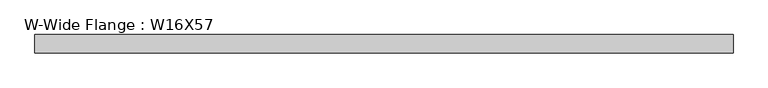
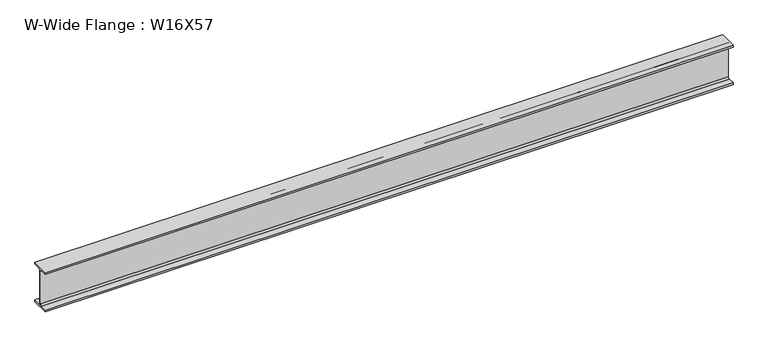
"""IFC4 building model written with IfcOpenShell, lengths in millimetres: beam geometry, W-Wide Flange : W16X57."""

from ifc_helpers import new_model, si_unit, point, frame, frame_2d, origin, place, context, project, spatial, polyline, circle_curve, trimmed, segment, composite_curve, outline, extrude, source, transform, mapped, element, save


def w_wide_flange_w16x57_ee7f8820(model_context):
    return source(origin(), model_context, "Body", "SweptSolid", [
        extrude(outline(composite_curve([segment(polyline([(90.4, -190.1), (90.4, -208.3), (-90.4, -208.3), (-90.4, -190.1), (-22.15, -190.1)]), True, "CONTINUOUS"), segment(trimmed(circle_curve(frame_2d((-22.15, -173.4)), 16.7), [point((-22.15, -190.1))], [point((-5.45, -173.4))], True, "CARTESIAN"), True, "CONTINUOUS"), segment(polyline([(-5.45, -173.4), (-5.45, 173.4)]), True, "CONTINUOUS"), segment(trimmed(circle_curve(frame_2d((-22.15, 173.4)), 16.7), [point((-5.45, 173.4))], [point((-22.15, 190.1))], True, "CARTESIAN"), True, "CONTINUOUS"), segment(polyline([(-22.15, 190.1), (-90.4, 190.1), (-90.4, 208.3), (90.4, 208.3), (90.4, 190.1), (22.15, 190.1)]), True, "CONTINUOUS"), segment(trimmed(circle_curve(frame_2d((22.15, 173.4)), 16.7), [point((22.15, 190.1))], [point((5.45, 173.4))], True, "CARTESIAN"), True, "CONTINUOUS"), segment(polyline([(5.45, 173.4), (5.45, -173.4)]), True, "CONTINUOUS"), segment(trimmed(circle_curve(frame_2d((22.15, -173.4)), 16.7), [point((5.45, -173.4))], [point((22.15, -190.1))], True, "CARTESIAN"), True, "CONTINUOUS"), segment(polyline([(22.15, -190.1), (90.4, -190.1)]), True, "CONTINUOUS")], self_intersect=False)), frame((-1563.2333755, 0.0, 0.0), z_axis=(1.0, 0.0, 0.0), x_axis=(0.0, 1.0, 0.0)), (0.0, 0.0, 1.0), 6875.9981002),
    ])


if __name__ == "__main__":
    model = new_model("IFC4")
    model_context = context("Model", 3, world=origin())
    ifc_project = project(units=[si_unit("LENGTHUNIT", "METRE", prefix="MILLI")], contexts=[model_context])
    site = spatial("IfcSite", under=ifc_project)
    building = spatial("IfcBuilding", under=site)
    placement = place(None, origin())
    w_wide_flange_w16x57_shape = w_wide_flange_w16x57_ee7f8820(model_context)
    element("IfcBeam", 1, ObjectType="W-Wide Flange : W16X57", at=placement, inside=building, context=model_context, shape_type="MappedRepresentation", body=[
        mapped(w_wide_flange_w16x57_shape, transform((0.0, 0.0, 0.0), x_axis=(1.0, 0.0, 0.0), y_axis=(0.0, 1.0, 0.0), z_axis=(0.0, 0.0, 1.0))),
    ])
    save(model, "model.ifc")
